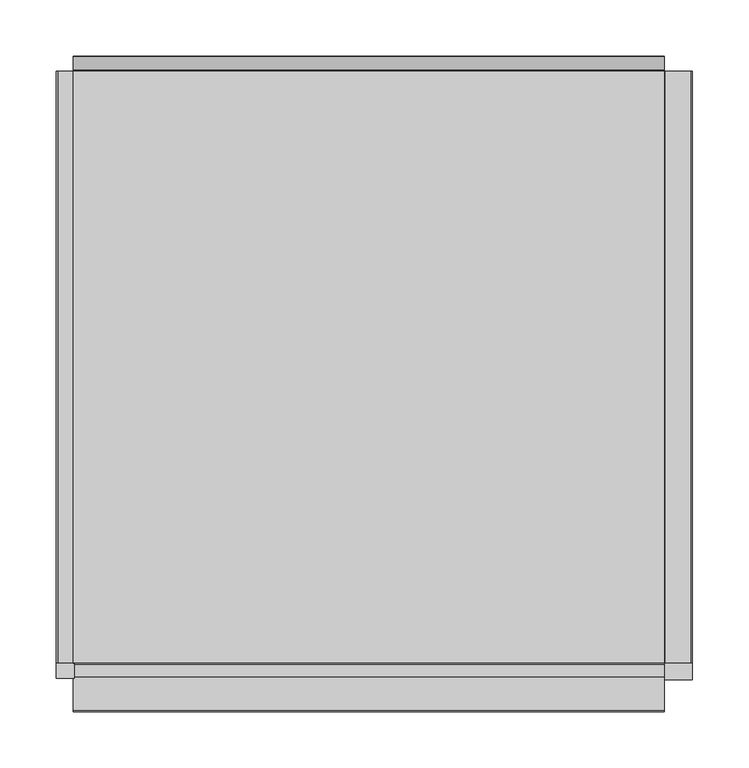
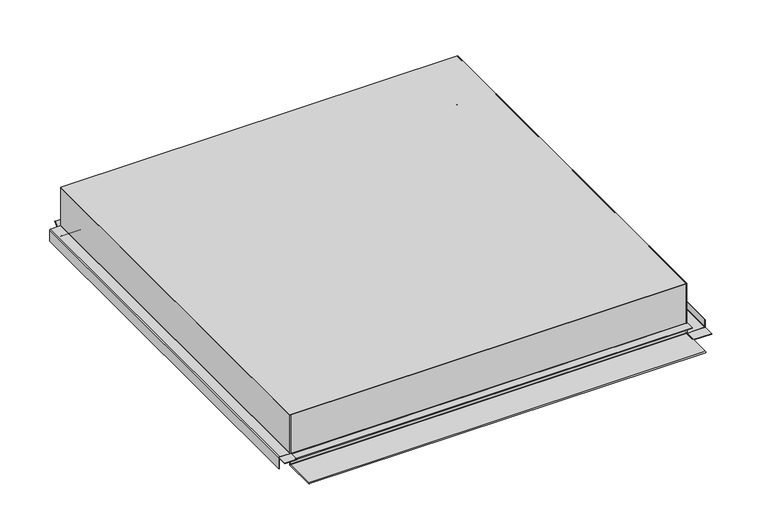
"""IFC4 building model written with IfcOpenShell, lengths in millimetres: proxy geometry."""

from ifc_helpers import new_model, si_unit, point, frame, frame_2d, origin, place, context, project, spatial, polyline, circle_curve, trimmed, segment, composite_curve, outline, extrude, faceted_brep, source, transform, mapped, element, save


def generic_models_afa2df49(model_context):
    return source(origin(), model_context, "Body", "SolidModel", [
        extrude(outline(composite_curve([segment(trimmed(circle_curve(frame_2d((17.2, -263.0)), 1.3), [point((15.9, -263.0))], [point((17.2, -261.7))], False, "CARTESIAN"), True, "CONTINUOUS"), segment(polyline([(17.2, -261.7), (70.33125, -261.7), (70.33125, -262.5), (17.2, -262.5)]), True, "CONTINUOUS"), segment(trimmed(circle_curve(frame_2d((17.2, -263.0)), 0.5), [point((17.2, -262.5))], [point((16.7, -263.0))], True, "CARTESIAN"), True, "CONTINUOUS"), segment(polyline([(16.7, -263.0), (16.7, -276.2)]), True, "CONTINUOUS"), segment(trimmed(circle_curve(frame_2d((15.4, -276.2)), 1.3), [point((16.7, -276.2))], [point((15.4, -277.5))], False, "CARTESIAN"), True, "CONTINUOUS"), segment(polyline([(15.4, -277.5), (0.33125, -277.5), (0.33125, -276.7), (15.4, -276.7)]), True, "CONTINUOUS"), segment(trimmed(circle_curve(frame_2d((15.4, -276.2)), 0.5), [point((15.4, -276.7))], [point((15.9, -276.2))], True, "CARTESIAN"), True, "CONTINUOUS"), segment(polyline([(15.9, -276.2), (15.9, -263.0)]), True, "CONTINUOUS")], self_intersect=False)), frame((0.0, -262.5, 0.0), z_axis=(0.0, 1.0, 0.0), x_axis=(0.0, 0.0, 1.0)), (0.0, 0.0, 1.0), 525.0),
        extrude(outline(polyline([(-277.5, -276.5), (-277.5, -262.5), (-261.7, -262.5), (-261.7, -276.5), (-277.5, -276.5)])), frame((0.0, 0.0, 15.9), z_axis=(0.0, 0.0, 1.0), x_axis=(1.0, 0.0, 0.0)), (0.0, 0.0, 1.0), 0.8),
        extrude(outline(composite_curve([segment(trimmed(circle_curve(frame_2d((1.63125, 285.9)), 1.3), [point((0.33125, 285.9))], [point((1.63125, 287.2))], False, "CARTESIAN"), True, "CONTINUOUS"), segment(polyline([(1.63125, 287.2), (11.33125, 287.2), (11.33125, 286.4), (1.63125, 286.4)]), True, "CONTINUOUS"), segment(trimmed(circle_curve(frame_2d((1.63125, 285.9)), 0.5), [point((1.63125, 286.4))], [point((1.13125, 285.9))], True, "CARTESIAN"), True, "CONTINUOUS"), segment(polyline([(1.13125, 285.9), (1.13125, 263.0)]), True, "CONTINUOUS"), segment(trimmed(circle_curve(frame_2d((1.63125, 263.0)), 0.5), [point((1.13125, 263.0))], [point((1.63125, 262.5))], True, "CARTESIAN"), True, "CONTINUOUS"), segment(polyline([(1.63125, 262.5), (70.33125, 262.5), (70.33125, 261.7), (1.63125, 261.7)]), True, "CONTINUOUS"), segment(trimmed(circle_curve(frame_2d((1.63125, 263.0)), 1.3), [point((1.63125, 261.7))], [point((0.33125, 263.0))], False, "CARTESIAN"), True, "CONTINUOUS"), segment(polyline([(0.33125, 263.0), (0.33125, 285.9)]), True, "CONTINUOUS")], self_intersect=False)), frame((0.0, -262.5, 0.0), z_axis=(0.0, 1.0, 0.0), x_axis=(0.0, 0.0, 1.0)), (0.0, 0.0, 1.0), 525.0),
        extrude(outline(polyline([(287.2, -277.5), (261.7, -277.5), (261.7, -262.5), (287.2, -262.5), (287.2, -277.5)])), frame((0.0, 0.0, 0.33125), z_axis=(0.0, 0.0, 1.0), x_axis=(1.0, 0.0, 0.0)), (0.0, 0.0, 1.0), 0.8),
        extrude(outline(composite_curve([segment(polyline([(-263.0, 0.0), (-305.15, 0.0)]), True, "CONTINUOUS"), segment(trimmed(circle_curve(frame_2d((-305.15, 0.85)), 0.85), [point((-305.15, 0.0))], [point((-305.15, 1.7))], False, "CARTESIAN"), True, "CONTINUOUS"), segment(polyline([(-305.15, 1.7), (-264.05, 1.7)]), True, "CONTINUOUS"), segment(trimmed(circle_curve(frame_2d((-264.05, 2.2)), 0.5), [point((-264.05, 1.7))], [point((-263.55, 2.2))], True, "CARTESIAN"), True, "CONTINUOUS"), segment(polyline([(-263.55, 2.2), (-263.55, 15.4)]), True, "CONTINUOUS"), segment(trimmed(circle_curve(frame_2d((-264.05, 15.4)), 0.5), [point((-263.55, 15.4))], [point((-264.05, 15.9))], True, "CARTESIAN"), True, "CONTINUOUS"), segment(polyline([(-264.05, 15.9), (-275.15, 15.9), (-275.15, 16.7), (-264.05, 16.7)]), True, "CONTINUOUS"), segment(trimmed(circle_curve(frame_2d((-264.05, 15.4)), 1.3), [point((-264.05, 16.7))], [point((-262.75, 15.4))], False, "CARTESIAN"), True, "CONTINUOUS"), segment(polyline([(-262.75, 15.4), (-262.75, 2.4014965)]), True, "CONTINUOUS"), segment(trimmed(circle_curve(frame_2d((-264.05, 2.4014965)), 1.3), [point((-262.75, 2.4014965))], [point((-264.05, 1.1014965))], False, "CARTESIAN"), True, "CONTINUOUS"), segment(polyline([(-264.05, 1.1014965), (-304.3115501, 1.1014965)]), True, "CONTINUOUS"), segment(trimmed(circle_curve(frame_2d((-304.3115501, 0.699934)), 0.4015625), [point((-304.3115501, 1.1014965))], [point((-304.3115501, 0.2983715))], True, "CARTESIAN"), True, "CONTINUOUS"), segment(polyline([(-304.3115501, 0.2983715), (-263.0, 0.2983715)]), True, "CONTINUOUS"), segment(trimmed(circle_curve(frame_2d((-263.0, 0.7983715)), 0.5), [point((-263.0, 0.2983715))], [point((-262.5, 0.7983715))], True, "CARTESIAN"), True, "CONTINUOUS"), segment(polyline([(-262.5, 0.7983715), (-262.5, 70.0), (-261.7, 70.0), (-261.7, 1.3)]), True, "CONTINUOUS"), segment(trimmed(circle_curve(frame_2d((-263.0, 1.3)), 1.3), [point((-261.7, 1.3))], [point((-263.0, 0.0))], False, "CARTESIAN"), True, "CONTINUOUS")], self_intersect=False)), frame((-262.5, 0.0, 0.0), z_axis=(1.0, 0.0, 0.0), x_axis=(0.0, 1.0, 0.0)), (0.0, 0.0, 1.0), 525.0),
        extrude(outline(composite_curve([segment(trimmed(circle_curve(frame_2d((263.0, 3.3)), 0.5), [point((262.5, 3.3))], [point((263.4778194, 3.4472706))], True, "CARTESIAN"), True, "CONTINUOUS"), segment(polyline([(263.4778194, 3.4472706), (275.3707904, 15.3402417), (275.9627491, 14.748283), (264.2783838, 3.0639176)]), True, "CONTINUOUS"), segment(trimmed(circle_curve(frame_2d((263.0, 3.3)), 1.3), [point((264.2783838, 3.0639176))], [point((261.7, 3.3))], False, "CARTESIAN"), True, "CONTINUOUS"), segment(polyline([(261.7, 3.3), (261.7, 70.0), (262.5, 70.0), (262.5, 3.3)]), True, "CONTINUOUS")], self_intersect=False)), frame((-262.5, 0.0, 0.0), z_axis=(1.0, 0.0, 0.0), x_axis=(0.0, 1.0, 0.0)), (0.0, 0.0, 1.0), 525.0),
        faceted_brep([(-262.5, -262.5, 71.0), (262.5, -262.5, 71.0), (262.5, 262.5, 71.0), (-262.5, 262.5, 71.0), (-262.5, -262.5, 70.0), (-262.5, -261.7, 70.0), (-262.5, 262.5, 70.0), (262.5, 262.5, 70.0), (262.5, -261.7, 70.0), (262.5, -262.5, 70.0)], [[[0, 1, 2, 3]], [[4, 5, 6, 7, 8, 9]], [[3, 6, 5, 4, 0]], [[2, 7, 6, 3]], [[1, 9, 8, 7, 2]], [[0, 4, 9, 1]]]),
    ])


if __name__ == "__main__":
    model = new_model("IFC4")
    model_context = context("Model", 3, world=origin())
    ifc_project = project(units=[si_unit("LENGTHUNIT", "METRE", prefix="MILLI")], contexts=[model_context])
    site = spatial("IfcSite", under=ifc_project)
    building = spatial("IfcBuilding", under=site)
    placement = place(None, origin())
    generic_models_shape = generic_models_afa2df49(model_context)
    element("IfcBuildingElementProxy", 1, Name="Generic Models", at=placement, inside=building, context=model_context, shape_type="MappedRepresentation", body=[
        mapped(generic_models_shape, transform((0.0, 0.0, 0.0), x_axis=(1.0, 0.0, 0.0), y_axis=(0.0, 1.0, 0.0), z_axis=(0.0, 0.0, 1.0))),
    ])
    save(model, "model.ifc")
